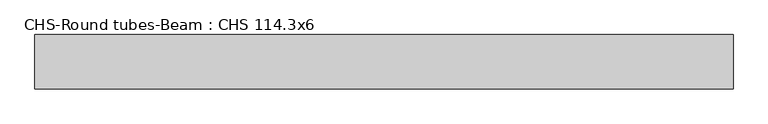
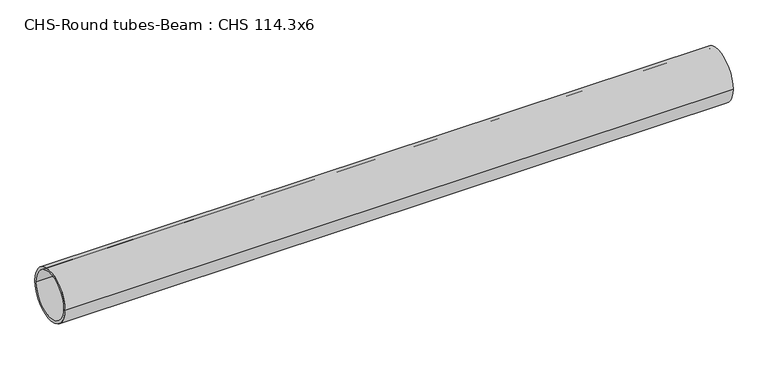
"""IFC4 building model written with IfcOpenShell, lengths in millimetres: beam geometry, CHS-Round tubes-Beam : CHS 114.3x6."""

import ifcopenshell
import ifcopenshell.guid

model = None  # the IFC model being written
_history = None  # IfcOwnerHistory: only IFC2X3 demands one
_inside = {}  # id of a spatial element -> (the spatial element, [elements in it])
_under = {}  # id of a project, library or spatial element -> (it, [spatial elements below it])
_declared = {}  # id of a project -> (the project, [libraries it declares])
_typed = {}  # id of a type object -> (the type object, [elements of that type])
_made_of = {}  # id of a material, layer set ... -> (it, [elements and type objects made of it])


def new_model(schema):
    """Start an empty IFC model of exactly this schema.

    Asked for "IFC4X3", IfcOpenShell would pick the latest addendum, in which some entities
    have other attributes; the version numbers below select the first issue.
    IFC2X3 requires an IfcOwnerHistory on every rooted entity: one is made here for all.
    """
    global model, _history
    if schema == "IFC4X3":
        model = ifcopenshell.file(schema_version=(4, 3, 0, 0))
    else:
        model = ifcopenshell.file(schema=schema)
    _inside.clear()
    _under.clear()
    _declared.clear()
    _typed.clear()
    _made_of.clear()
    _history = None
    if model.schema == "IFC2X3":
        org = make("IfcOrganization", Name="unknown")
        user = make(
            "IfcPersonAndOrganization",
            ThePerson=make("IfcPerson", FamilyName="unknown"),
            TheOrganization=org,
        )
        app = make(
            "IfcApplication",
            ApplicationDeveloper=org,
            Version="unknown",
            ApplicationFullName="unknown",
            ApplicationIdentifier="unknown",
        )
        _history = make(
            "IfcOwnerHistory",
            OwningUser=user,
            OwningApplication=app,
            ChangeAction="ADDED",
            CreationDate=0,
        )
    return model


def make(cls, **values):
    """One entity of the class cls with the attributes given. An attribute that is None is left unset."""
    return model.create_entity(
        cls, **{name: value for name, value in values.items() if value is not None}
    )


def rooted(cls, **values):
    """An entity with a GlobalId (a new one), such as an element, a storey or a relation."""
    return make(cls, GlobalId=ifcopenshell.guid.new(), OwnerHistory=_history, **values)


def si_unit(unit_type, name, prefix=None):
    """IfcSIUnit, for example si_unit("LENGTHUNIT", "METRE", prefix="MILLI")."""
    return make("IfcSIUnit", UnitType=unit_type, Prefix=prefix, Name=name)


def assignment(units):
    """IfcUnitAssignment: the units of a project."""
    return None if units is None else make("IfcUnitAssignment", Units=units)


def point(xyz):
    """IfcCartesianPoint."""
    return None if xyz is None else make("IfcCartesianPoint", Coordinates=xyz)


def direction(xyz):
    """IfcDirection."""
    return None if xyz is None else make("IfcDirection", DirectionRatios=xyz)


def frame(location, z_axis=None, x_axis=None):
    """IfcAxis2Placement3D, a coordinate frame: its origin and axes. An axis left out is left unset."""
    return make(
        "IfcAxis2Placement3D",
        Location=point(location),
        Axis=direction(z_axis),
        RefDirection=direction(x_axis),
    )


def frame_2d(location, x_axis=None):
    """IfcAxis2Placement2D, a coordinate frame in the plane: its origin and x axis."""
    return make(
        "IfcAxis2Placement2D", Location=point(location), RefDirection=direction(x_axis)
    )


def origin():
    """The frame at (0, 0, 0) with its axes left unset."""
    return frame((0.0, 0.0, 0.0))


def origin_2d():
    """The frame at (0, 0) in the plane with its x axis left unset."""
    return frame_2d((0.0, 0.0))


def place(relative_to, where):
    """IfcLocalPlacement: puts the frame where relative to a parent placement (None: the world)."""
    return make(
        "IfcLocalPlacement", PlacementRelTo=relative_to, RelativePlacement=where
    )


def context(
    kind, dimensions, precision=None, world=None, true_north=None, identifier=None
):
    """IfcGeometricRepresentationContext, for example the 3D "Model" context."""
    return make(
        "IfcGeometricRepresentationContext",
        ContextIdentifier=identifier,
        ContextType=kind,
        CoordinateSpaceDimension=dimensions,
        Precision=precision,
        WorldCoordinateSystem=world,
        TrueNorth=true_north,
    )


def project(units=None, contexts=None):
    """IfcProject with its units and contexts."""
    return rooted(
        "IfcProject",
        Name="project",
        RepresentationContexts=contexts,
        UnitsInContext=assignment(units),
    )


def spatial(cls, under=None, at=None, **own):
    """A site, building, storey or space (cls), placed at a placement, below another one or the project."""
    s = rooted(cls, ObjectPlacement=at, **own)
    if under is not None:
        _under.setdefault(under.id(), (under, []))[1].append(s)
    return s


def circle_curve(where, radius):
    """IfcCircle in the frame where."""
    return make("IfcCircle", Position=where, Radius=radius)


def trimmed(basis, trim1, trim2, sense, master):
    """IfcTrimmedCurve: the piece of a basis curve between two trims."""
    return make(
        "IfcTrimmedCurve",
        BasisCurve=basis,
        Trim1=trim1,
        Trim2=trim2,
        SenseAgreement=sense,
        MasterRepresentation=master,
    )


def segment(curve, same_sense, transition):
    """IfcCompositeCurveSegment."""
    return make(
        "IfcCompositeCurveSegment",
        Transition=transition,
        SameSense=same_sense,
        ParentCurve=curve,
    )


def composite_curve(segments, self_intersect=None):
    """IfcCompositeCurve: segments joined end to end."""
    return make("IfcCompositeCurve", Segments=segments, SelfIntersect=self_intersect)


def outline(outer, holes=None, kind="AREA"):
    """IfcArbitraryClosedProfileDef: a profile drawn as a closed curve; with holes, ...WithVoids."""
    if holes is None:
        return make("IfcArbitraryClosedProfileDef", ProfileType=kind, OuterCurve=outer)
    return make(
        "IfcArbitraryProfileDefWithVoids",
        ProfileType=kind,
        OuterCurve=outer,
        InnerCurves=holes,
    )


def extrude(swept, where, along, depth):
    """IfcExtrudedAreaSolid: the profile swept, set in the frame where, extruded along a direction by depth."""
    return make(
        "IfcExtrudedAreaSolid",
        SweptArea=swept,
        Position=where,
        ExtrudedDirection=direction(along),
        Depth=depth,
    )


def shape(context_of_items, identifier, shape_type, items):
    """IfcShapeRepresentation: the items that make up one representation, for example the "Body"."""
    return make(
        "IfcShapeRepresentation",
        ContextOfItems=context_of_items,
        RepresentationIdentifier=identifier,
        RepresentationType=shape_type,
        Items=items,
    )


def source(mapping_origin, context_of_items, identifier, shape_type, items):
    """IfcRepresentationMap: a shape defined once, which mapped items show again and again."""
    return make(
        "IfcRepresentationMap",
        MappingOrigin=mapping_origin,
        MappedRepresentation=shape(context_of_items, identifier, shape_type, items),
    )


def transform(
    local_origin,
    x_axis=None,
    y_axis=None,
    z_axis=None,
    scale=None,
    scale2=None,
    scale3=None,
    uniform=True,
):
    """IfcCartesianTransformationOperator3D, or its non-uniform kind. x_axis, y_axis, z_axis: its Axis1, 2, 3."""
    if uniform:
        return make(
            "IfcCartesianTransformationOperator3D",
            Axis1=direction(x_axis),
            Axis2=direction(y_axis),
            LocalOrigin=point(local_origin),
            Scale=scale,
            Axis3=direction(z_axis),
        )
    return make(
        "IfcCartesianTransformationOperator3DnonUniform",
        Axis1=direction(x_axis),
        Axis2=direction(y_axis),
        LocalOrigin=point(local_origin),
        Scale=scale,
        Axis3=direction(z_axis),
        Scale2=scale2,
        Scale3=scale3,
    )


def mapped(mapping_source, mapping_target):
    """IfcMappedItem: shows the shape of a source again, moved by a transform."""
    return make(
        "IfcMappedItem", MappingSource=mapping_source, MappingTarget=mapping_target
    )


def made_of(thing, what):
    """Note that an element or type object is made of a material, layer set ...; save() writes the relation."""
    if what is not None:
        _made_of.setdefault(what.id(), (what, []))[1].append(thing)
    return thing


def element(
    cls,
    number,
    at=None,
    inside=None,
    cuts=None,
    type_object=None,
    material=None,
    context=None,
    identifier="Body",
    shape_type=None,
    held_by="IfcProductDefinitionShape",
    body=None,
    shapes=None,
    **own,
):
    """One element of the class cls, such as IfcWall. Its Tag is "e" and its number.

    at: its placement. inside: the storey or other place that contains it. cuts: it is an
    opening in that element (IfcRelVoidsElement). A single representation is given by context,
    identifier, shape_type and body (its items); several are given by shapes. held_by: the class
    of the entity that holds the representations. save() writes the other relations.
    """
    e = rooted(cls, Tag="e%d" % number, ObjectPlacement=at, **own)
    if body is not None:
        shapes = [shape(context, identifier, shape_type, body)]
    if shapes is not None:
        e.Representation = make(held_by, Representations=shapes)
    if inside is not None:
        _inside.setdefault(inside.id(), (inside, []))[1].append(e)
    if cuts is not None:
        rooted(
            "IfcRelVoidsElement", RelatingBuildingElement=cuts, RelatedOpeningElement=e
        )
    if type_object is not None:
        _typed.setdefault(type_object.id(), (type_object, []))[1].append(e)
    return made_of(e, material)


def aggregate(whole, parts):
    """IfcRelAggregates: a whole, such as a stair, and the parts it consists of."""
    return rooted("IfcRelAggregates", RelatingObject=whole, RelatedObjects=parts)


def save(model, path):
    """Write the relations noted so far, then the file.

    IfcRelAggregates (storeys below a building ...), IfcRelContainedInSpatialStructure (elements
    in a storey), IfcRelDefinesByType, IfcRelAssociatesMaterial and IfcRelDeclares: one each for
    every whole, place, type object, material and project.
    """
    for whole, parts in _under.values():
        aggregate(whole, parts)
    for where, things in _inside.values():
        rooted(
            "IfcRelContainedInSpatialStructure",
            RelatedElements=things,
            RelatingStructure=where,
        )
    for kind, things in _typed.values():
        rooted("IfcRelDefinesByType", RelatedObjects=things, RelatingType=kind)
    for what, things in _made_of.values():
        rooted("IfcRelAssociatesMaterial", RelatedObjects=things, RelatingMaterial=what)
    for by, libraries in _declared.values():
        rooted("IfcRelDeclares", RelatingContext=by, RelatedDefinitions=libraries)
    model.write(path)


def chs_round_tubes_beam_chs_114_3x6_cebe49fd(model_context):
    return source(origin(), model_context, "Body", "SweptSolid", [
        extrude(outline(composite_curve([segment(trimmed(circle_curve(origin_2d(), 57.15), [point((57.15, 0.0))], [point((-57.15, 0.0))], False, "CARTESIAN"), True, "CONTINUOUS"), segment(trimmed(circle_curve(origin_2d(), 57.15), [point((-57.15, 0.0))], [point((57.15, 0.0))], False, "CARTESIAN"), True, "CONTINUOUS")], self_intersect=False), holes=[composite_curve([segment(trimmed(circle_curve(origin_2d(), 51.15), [point((51.15, 0.0))], [point((-51.15, 0.0))], True, "CARTESIAN"), True, "CONTINUOUS"), segment(trimmed(circle_curve(origin_2d(), 51.15), [point((-51.15, 0.0))], [point((51.15, 0.0))], True, "CARTESIAN"), True, "CONTINUOUS")], self_intersect=False)]), frame((-771.287377, 0.0, 0.0), z_axis=(1.0, 0.0, 0.0), x_axis=(0.0, 1.0, 0.0)), (0.0, 0.0, 1.0), 1469.6590397),
    ])


if __name__ == "__main__":
    model = new_model("IFC4")
    model_context = context("Model", 3, world=origin())
    ifc_project = project(units=[si_unit("LENGTHUNIT", "METRE", prefix="MILLI")], contexts=[model_context])
    site = spatial("IfcSite", under=ifc_project)
    building = spatial("IfcBuilding", under=site)
    placement = place(None, origin())
    chs_round_tubes_beam_chs_114_3x6_shape = chs_round_tubes_beam_chs_114_3x6_cebe49fd(model_context)
    element("IfcBeam", 1, ObjectType="CHS-Round tubes-Beam : CHS 114.3x6", at=placement, inside=building, context=model_context, shape_type="MappedRepresentation", body=[
        mapped(chs_round_tubes_beam_chs_114_3x6_shape, transform((0.0, 0.0, 0.0), x_axis=(1.0, 0.0, 0.0), y_axis=(0.0, 1.0, 0.0), z_axis=(0.0, 0.0, 1.0))),
    ])
    save(model, "model.ifc")
